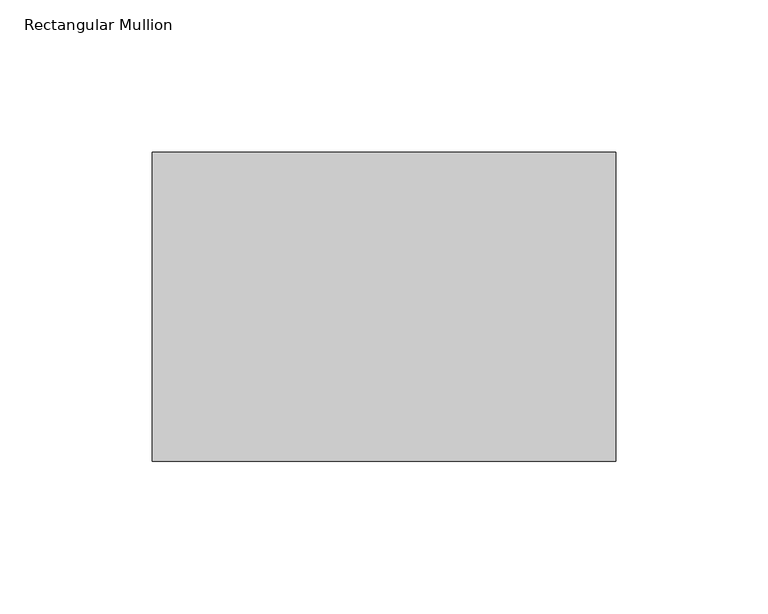
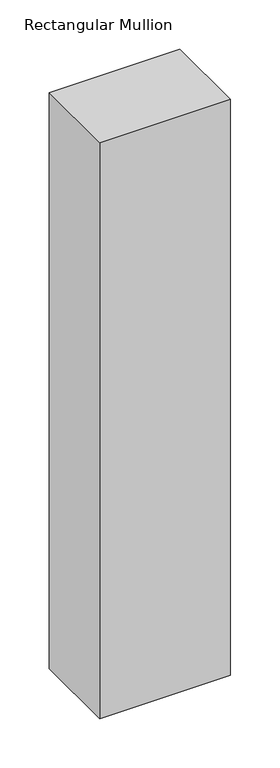
"""IFC4 building model written with IfcOpenShell, lengths in millimetres: member geometry, Rectangular Mullion."""

from ifc_helpers import new_model, si_unit, frame, origin, place, context, project, spatial, polyline, outline, extrude, source, transform, mapped, element, save


def rectangular_mullion_af13df57(model_context):
    return source(origin(), model_context, "Body", "SweptSolid", [
        extrude(outline(polyline([(127.0, 19.05), (127.0, -82.55), (-25.4, -82.55), (-25.4, 19.05), (127.0, 19.05)])), frame((0.0, 0.0, -711.2), z_axis=(0.0, 0.0, 1.0), x_axis=(1.0, 0.0, 0.0)), (0.0, 0.0, 1.0), 711.2),
    ])


if __name__ == "__main__":
    model = new_model("IFC4")
    model_context = context("Model", 3, world=origin())
    ifc_project = project(units=[si_unit("LENGTHUNIT", "METRE", prefix="MILLI")], contexts=[model_context])
    site = spatial("IfcSite", under=ifc_project)
    building = spatial("IfcBuilding", under=site)
    placement = place(None, origin())
    rectangular_mullion_shape = rectangular_mullion_af13df57(model_context)
    element("IfcMember", 1, ObjectType="Rectangular Mullion", at=placement, inside=building, context=model_context, shape_type="MappedRepresentation", body=[
        mapped(rectangular_mullion_shape, transform((0.0, 0.0, 0.0), x_axis=(1.0, 0.0, 0.0), y_axis=(0.0, 1.0, 0.0), z_axis=(0.0, 0.0, 1.0))),
    ])
    save(model, "model.ifc")
